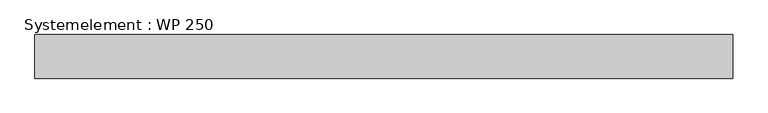
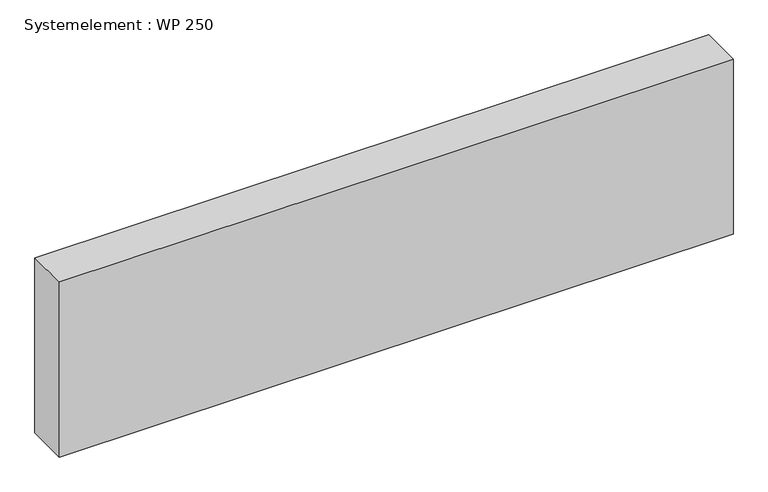
"""IFC4 building model written with IfcOpenShell, lengths in millimetres: plate geometry, Systemelement : WP 250."""

from ifc_helpers import new_model, si_unit, origin, origin_with_axes, place, context, project, spatial, polyline, outline, extrude, source, transform, mapped, element, save


def systemelement_wp_250_de093d96(model_context):
    return source(origin(), model_context, "Body", "SweptSolid", [
        extrude(outline(polyline([(2000.0, -250.0), (-2000.0, -250.0), (-2000.0, 0.0), (2000.0, 0.0), (2000.0, -250.0)])), origin_with_axes(), (0.0, 0.0, 1.0), 1100.0),
    ])


if __name__ == "__main__":
    model = new_model("IFC4")
    model_context = context("Model", 3, world=origin())
    ifc_project = project(units=[si_unit("LENGTHUNIT", "METRE", prefix="MILLI")], contexts=[model_context])
    site = spatial("IfcSite", under=ifc_project)
    building = spatial("IfcBuilding", under=site)
    placement = place(None, origin())
    systemelement_wp_250_shape = systemelement_wp_250_de093d96(model_context)
    element("IfcPlate", 1, ObjectType="Systemelement : WP 250", at=placement, inside=building, context=model_context, shape_type="MappedRepresentation", body=[
        mapped(systemelement_wp_250_shape, transform((0.0, 0.0, 0.0), x_axis=(1.0, 0.0, 0.0), y_axis=(0.0, 1.0, 0.0), z_axis=(0.0, 0.0, 1.0))),
    ])
    save(model, "model.ifc")
